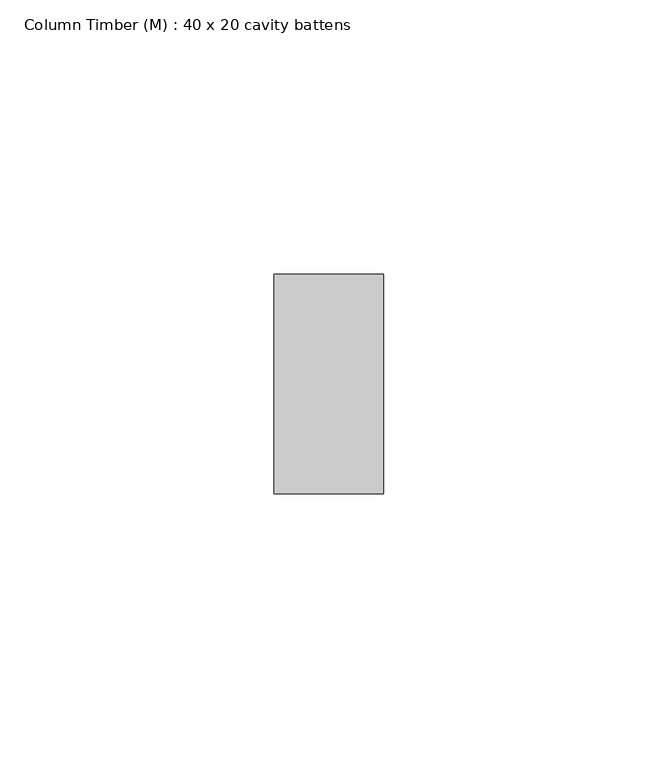
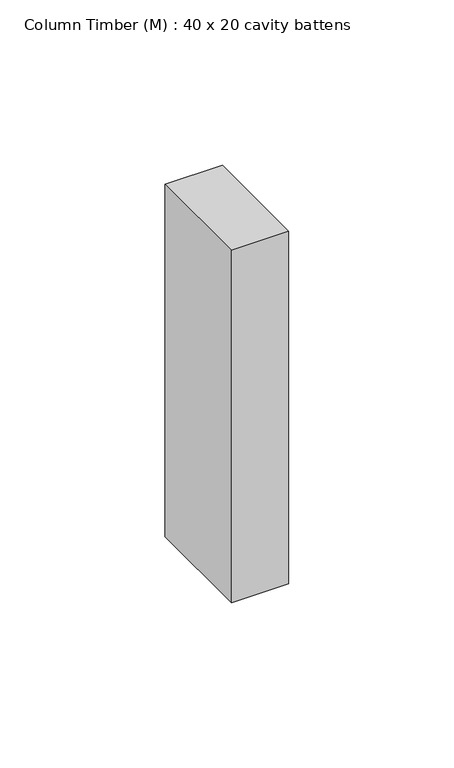
"""IFC4 building model written with IfcOpenShell, lengths in millimetres: column geometry, Column Timber (M) : 40 x 20 cavity battens."""

from ifc_helpers import new_model, si_unit, frame, origin, place, context, project, spatial, polyline, outline, extrude, source, transform, mapped, element, save


def column_timber_m_40_x_20_cavity_battens_167bc937(model_context):
    return source(origin(), model_context, "Body", "SweptSolid", [
        extrude(outline(polyline([(10.0, 20.0), (10.0, -20.0), (-10.0, -20.0), (-10.0, 20.0), (10.0, 20.0)])), frame((0.0, 0.0, -130.0), z_axis=(0.0, 0.0, 1.0), x_axis=(1.0, 0.0, 0.0)), (0.0, 0.0, 1.0), 130.0),
    ])


if __name__ == "__main__":
    model = new_model("IFC4")
    model_context = context("Model", 3, world=origin())
    ifc_project = project(units=[si_unit("LENGTHUNIT", "METRE", prefix="MILLI")], contexts=[model_context])
    site = spatial("IfcSite", under=ifc_project)
    building = spatial("IfcBuilding", under=site)
    placement = place(None, origin())
    column_timber_m_40_x_20_cavity_battens_shape = column_timber_m_40_x_20_cavity_battens_167bc937(model_context)
    element("IfcColumn", 1, ObjectType="Column Timber (M) : 40 x 20 cavity battens", at=placement, inside=building, context=model_context, shape_type="MappedRepresentation", body=[
        mapped(column_timber_m_40_x_20_cavity_battens_shape, transform((0.0, 0.0, 0.0), x_axis=(1.0, 0.0, 0.0), y_axis=(0.0, 1.0, 0.0), z_axis=(0.0, 0.0, 1.0))),
    ])
    save(model, "model.ifc")
